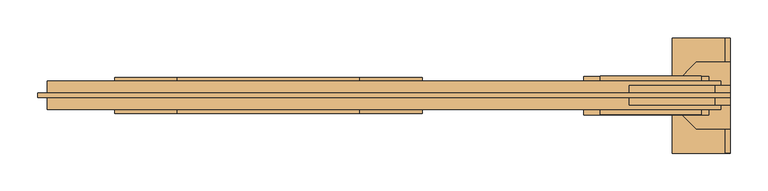
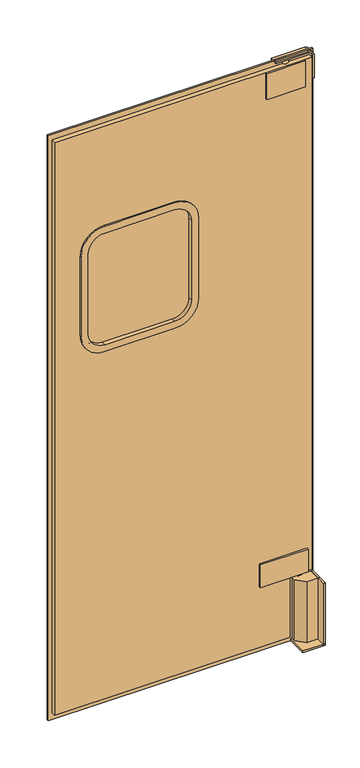
"""IFC4 building model written with IfcOpenShell, lengths in millimetres: door geometry."""

from ifc_helpers import new_model, si_unit, point, frame, frame_2d, origin, origin_with_axes, place, context, project, spatial, polyline, circle_curve, trimmed, segment, composite_curve, outline, extrude, source, transform, mapped, element, save
from ifc_brep_helpers import plane_surface, cylinder_surface, advanced_brep


def door_db3e7a0f(model_context):
    return source(origin(), model_context, "Body", "SolidModel", [
        extrude(outline(composite_curve([segment(trimmed(circle_curve(frame_2d((1377.95, -19.05)), 82.55), [point((1295.4, -19.05))], [point((1377.95, 63.5))], False, "CARTESIAN"), True, "CONTINUOUS"), segment(polyline([(1377.95, 63.5), (1670.05, 63.5)]), True, "CONTINUOUS"), segment(trimmed(circle_curve(frame_2d((1670.05, -19.05)), 82.55), [point((1670.05, 63.5))], [point((1752.6, -19.05))], False, "CARTESIAN"), True, "CONTINUOUS"), segment(polyline([(1752.6, -19.05), (1752.6, -260.35)]), True, "CONTINUOUS"), segment(trimmed(circle_curve(frame_2d((1670.05, -260.35)), 82.55), [point((1752.6, -260.35))], [point((1670.05, -342.9))], False, "CARTESIAN"), True, "CONTINUOUS"), segment(polyline([(1670.05, -342.9), (1377.95, -342.9)]), True, "CONTINUOUS"), segment(trimmed(circle_curve(frame_2d((1377.95, -260.35)), 82.55), [point((1377.95, -342.9))], [point((1295.4, -260.35))], False, "CARTESIAN"), True, "CONTINUOUS"), segment(polyline([(1295.4, -260.35), (1295.4, -19.05)]), True, "CONTINUOUS")], self_intersect=False), holes=[composite_curve([segment(trimmed(circle_curve(frame_2d((1377.95, -19.05)), 57.15), [point((1377.95, 38.1))], [point((1320.8, -19.05))], True, "CARTESIAN"), True, "CONTINUOUS"), segment(polyline([(1320.8, -19.05), (1320.8, -260.35)]), True, "CONTINUOUS"), segment(trimmed(circle_curve(frame_2d((1377.95, -260.35)), 57.15), [point((1320.8, -260.35))], [point((1377.95, -317.5))], True, "CARTESIAN"), True, "CONTINUOUS"), segment(polyline([(1377.95, -317.5), (1670.05, -317.5)]), True, "CONTINUOUS"), segment(trimmed(circle_curve(frame_2d((1670.05, -260.35)), 57.15), [point((1670.05, -317.5))], [point((1727.2, -260.35))], True, "CARTESIAN"), True, "CONTINUOUS"), segment(polyline([(1727.2, -260.35), (1727.2, -19.05)]), True, "CONTINUOUS"), segment(trimmed(circle_curve(frame_2d((1670.05, -19.05)), 57.15), [point((1727.2, -19.05))], [point((1670.05, 38.1))], True, "CARTESIAN"), True, "CONTINUOUS"), segment(polyline([(1670.05, 38.1), (1377.95, 38.1)]), True, "CONTINUOUS")], self_intersect=False)]), frame((0.0, -33.6903808, 0.0), z_axis=(0.0, 1.0, 0.0), x_axis=(0.0, 0.0, 1.0)), (0.0, 0.0, 1.0), 47.625),
        extrude(outline(composite_curve([segment(trimmed(circle_curve(frame_2d((1670.05, -19.05)), 57.15), [point((1670.05, 38.1))], [point((1727.2, -19.05))], False, "CARTESIAN"), True, "CONTINUOUS"), segment(polyline([(1727.2, -19.05), (1727.2, -260.35)]), True, "CONTINUOUS"), segment(trimmed(circle_curve(frame_2d((1670.05, -260.35)), 57.15), [point((1727.2, -260.35))], [point((1670.05, -317.5))], False, "CARTESIAN"), True, "CONTINUOUS"), segment(polyline([(1670.05, -317.5), (1377.95, -317.5)]), True, "CONTINUOUS"), segment(trimmed(circle_curve(frame_2d((1377.95, -260.35)), 57.15), [point((1377.95, -317.5))], [point((1320.8, -260.35))], False, "CARTESIAN"), True, "CONTINUOUS"), segment(polyline([(1320.8, -260.35), (1320.8, -19.05)]), True, "CONTINUOUS"), segment(trimmed(circle_curve(frame_2d((1377.95, -19.05)), 57.15), [point((1320.8, -19.05))], [point((1377.95, 38.1))], False, "CARTESIAN"), True, "CONTINUOUS"), segment(polyline([(1377.95, 38.1), (1670.05, 38.1)]), True, "CONTINUOUS")], self_intersect=False)), frame((0.0, -19.4028808, 0.0), z_axis=(0.0, 1.0, 0.0), x_axis=(0.0, 0.0, 1.0)), (0.0, 0.0, 1.0), 19.05),
        extrude(outline(polyline([(441.325, -35.2778808), (276.225, -35.2778808), (276.225, 15.5221192), (441.325, 15.5221192), (441.325, -35.2778808)])), frame((0.0, 0.0, 247.65), z_axis=(0.0, 0.0, 1.0), x_axis=(1.0, 0.0, 0.0)), (0.0, 0.0, 1.0), 82.55),
        extrude(outline(polyline([(428.625, -16.2278808), (415.925, -16.2278808), (415.925, -3.5278808), (428.625, -3.5278808), (428.625, -16.2278808)])), frame((0.0, 0.0, 228.6), z_axis=(0.0, 0.0, 1.0), x_axis=(1.0, 0.0, 0.0)), (0.0, 0.0, 1.0), 19.05),
        extrude(outline(polyline([(469.9, 34.5721192), (469.9, -54.3278808), (425.45, -54.3278808), (398.5092316, -27.3871124), (398.5092316, 7.6313509), (425.45, 34.5721192), (469.9, 34.5721192)])), origin_with_axes(), (0.0, 0.0, 1.0), 228.6),
        extrude(outline(polyline([(463.55, 66.3221192), (469.9, 66.3221192), (469.9, -86.0778808), (463.55, -86.0778808), (463.55, 66.3221192)])), origin_with_axes(), (0.0, 0.0, 1.0), 228.6),
        extrude(outline(polyline([(469.9, 66.3221192), (469.9, -86.0778808), (393.7, -86.0778808), (393.7, 66.3221192), (469.9, 66.3221192)])), origin_with_axes(), (0.0, 0.0, 1.0), 6.35),
        extrude(outline(polyline([(2133.6, 469.9), (2133.6, -444.5), (0.0, -444.5), (0.0, 469.9), (2133.6, 469.9)]), holes=[polyline([(1778.0, 88.9), (1270.0, 88.9), (1270.0, -368.3), (1778.0, -368.3), (1778.0, 88.9)])]), frame((0.0, -13.0528808, 0.0), z_axis=(0.0, 1.0, 0.0), x_axis=(0.0, 0.0, 1.0)), (0.0, 0.0, 1.0), 6.35),
        extrude(outline(polyline([(2114.55, 457.2), (2114.55, -431.8), (25.4, -431.8), (25.4, 381.0), (247.65, 381.0), (247.65, 457.2), (2114.55, 457.2)]), holes=[composite_curve([segment(trimmed(circle_curve(frame_2d((1377.95, -19.05)), 63.5), [point((1377.95, 44.45))], [point((1314.45, -19.05))], True, "CARTESIAN"), True, "CONTINUOUS"), segment(polyline([(1314.45, -19.05), (1314.45, -260.35)]), True, "CONTINUOUS"), segment(trimmed(circle_curve(frame_2d((1377.95, -260.35)), 63.5), [point((1314.45, -260.35))], [point((1377.95, -323.85))], True, "CARTESIAN"), True, "CONTINUOUS"), segment(polyline([(1377.95, -323.85), (1670.05, -323.85)]), True, "CONTINUOUS"), segment(trimmed(circle_curve(frame_2d((1670.05, -260.35)), 63.5), [point((1670.05, -323.85))], [point((1733.55, -260.35))], True, "CARTESIAN"), True, "CONTINUOUS"), segment(polyline([(1733.55, -260.35), (1733.55, -19.05)]), True, "CONTINUOUS"), segment(trimmed(circle_curve(frame_2d((1670.05, -19.05)), 63.5), [point((1733.55, -19.05))], [point((1670.05, 44.45))], True, "CARTESIAN"), True, "CONTINUOUS"), segment(polyline([(1670.05, 44.45), (1377.95, 44.45)]), True, "CONTINUOUS")], self_intersect=False)]), frame((0.0, -28.9278808, 0.0), z_axis=(0.0, 1.0, 0.0), x_axis=(0.0, 0.0, 1.0)), (0.0, 0.0, 1.0), 38.1),
        advanced_brep(
        [(374.65, -9.8778808, 2114.55), (385.7625, -9.8778808, 2114.55), (363.5375, -9.8778808, 2114.55), (363.5375, -9.8778808, 2128.8375), (385.7625, -9.8778808, 2128.8375), (374.65, -9.8778808, 2128.8375)],
        [
            (0, 1),
            (1, 2, circle_curve(frame((374.65, -9.8778808, 2114.55), z_axis=(0.0, 0.0, -1.0), x_axis=(1.0, 0.0, 0.0)), 11.1125)),
            (2, 0),
            (2, 1, circle_curve(frame((374.65, -9.8778808, 2114.55), z_axis=(0.0, 0.0, -1.0), x_axis=(1.0, 0.0, 0.0)), 11.1125)),
            (3, 4, circle_curve(frame((374.65, -9.8778808, 2128.8375), z_axis=(0.0, 0.0, 1.0), x_axis=(1.0, 0.0, 0.0)), 11.1125)),
            (4, 5),
            (5, 3),
            (4, 3, circle_curve(frame((374.65, -9.8778808, 2128.8375), z_axis=(0.0, 0.0, 1.0), x_axis=(1.0, 0.0, 0.0)), 11.1125)),
            (1, 4),
            (3, 2),
        ],
        [
            plane_surface(frame((374.65, -9.8778808, 2114.55), z_axis=(0.0, 0.0, -1.0), x_axis=(1.0, 0.0, 0.0))),
            plane_surface(frame((374.65, -9.8778808, 2128.8375), z_axis=(0.0, 0.0, 1.0), x_axis=(1.0, 0.0, 0.0))),
            cylinder_surface(frame((374.65, -9.8778808, -41.502018), z_axis=(0.0, 0.0, -1.0), x_axis=(1.0, 0.0, 0.0)), 11.1125),
        ],
        [
            (0, [[1, 2, 3]]),
            (0, [[-3, 4, -1]]),
            (1, [[5, 6, 7]]),
            (1, [[8, -7, -6]]),
            (2, [[-2, 9, -5, 10]]),
            (2, [[-4, -10, -8, -9]]),
        ],
    ),
        extrude(outline(polyline([(298.1767319, 15.5221192), (431.7148798, 15.5221192), (431.7148798, -35.2778808), (298.1767319, -35.2778808), (298.1767319, 15.5221192)])), frame((0.0, 0.0, 2019.3), z_axis=(0.0, 0.0, 1.0), x_axis=(1.0, 0.0, 0.0)), (0.0, 0.0, 1.0), 95.25),
        extrude(outline(composite_curve([segment(polyline([(2133.6, 336.55), (2128.8375, 336.55), (2128.8375, 449.2625)]), True, "CONTINUOUS"), segment(trimmed(circle_curve(frame_2d((2112.9625, 449.2625)), 15.875), [point((2128.8375, 449.2625))], [point((2112.9625, 465.1375))], True, "CARTESIAN"), True, "CONTINUOUS"), segment(polyline([(2112.9625, 465.1375), (2032.0, 465.1375), (2032.0, 469.9), (2112.9625, 469.9)]), True, "CONTINUOUS"), segment(trimmed(circle_curve(frame_2d((2112.9625, 449.2625)), 20.6375), [point((2112.9625, 469.9))], [point((2133.6, 449.2625))], False, "CARTESIAN"), True, "CONTINUOUS"), segment(polyline([(2133.6, 449.2625), (2133.6, 336.55)]), True, "CONTINUOUS")], self_intersect=False)), frame((0.0, -22.5778808, 0.0), z_axis=(0.0, 1.0, 0.0), x_axis=(0.0, 0.0, 1.0)), (0.0, 0.0, 1.0), 25.4),
    ])


if __name__ == "__main__":
    model = new_model("IFC4")
    model_context = context("Model", 3, world=origin())
    ifc_project = project(units=[si_unit("LENGTHUNIT", "METRE", prefix="MILLI")], contexts=[model_context])
    site = spatial("IfcSite", under=ifc_project)
    building = spatial("IfcBuilding", under=site)
    placement = place(None, origin())
    door_shape = door_db3e7a0f(model_context)
    element("IfcDoor", 1, at=placement, inside=building, context=model_context, shape_type="MappedRepresentation", body=[
        mapped(door_shape, transform((0.0, 0.0, 0.0), x_axis=(1.0, 0.0, 0.0), y_axis=(0.0, 1.0, 0.0), z_axis=(0.0, 0.0, 1.0))),
    ])
    save(model, "model.ifc")
